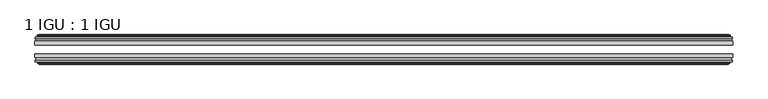
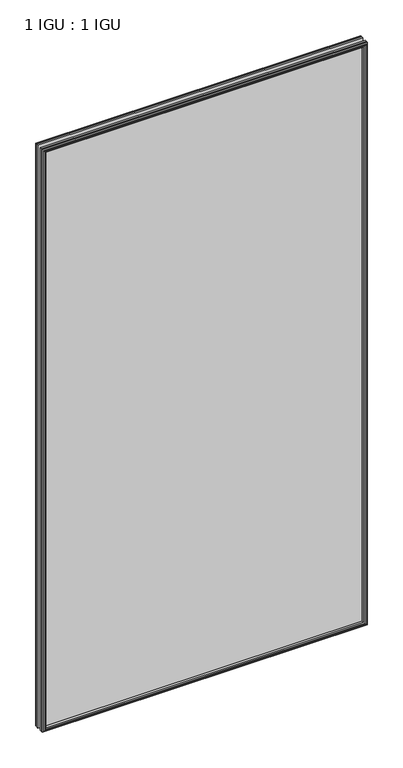
"""IFC4 building model written with IfcOpenShell, lengths in millimetres: plate geometry, 1 IGU : 1 IGU."""

from ifc_helpers import new_model, si_unit, frame, origin, place, context, project, spatial, polyline, outline, extrude, faceted_brep, source, transform, mapped, element, save


def plate_1_igu_1_igu_44d84630(model_context):
    return source(origin(), model_context, "Body", "SolidModel", [
        extrude(outline(polyline([(532.9369235, -25.8960937), (532.9369235, -32.2460938), (-532.9369235, -32.2460938), (-532.9369235, -25.8960937), (532.9369235, -25.8960937)])), frame((0.0, 0.0, -12.7), z_axis=(0.0, 0.0, 1.0), x_axis=(1.0, 0.0, 0.0)), (0.0, 0.0, 1.0), 2019.3),
        extrude(outline(polyline([(-532.9369235, -51.2960938), (-532.9369235, -45.2686737), (532.9369235, -45.2686737), (532.9369235, -51.2960938), (-532.9369235, -51.2960938)])), frame((0.0, 0.0, -12.7), z_axis=(0.0, 0.0, 1.0), x_axis=(1.0, 0.0, 0.0)), (0.0, 0.0, 1.0), 2019.3),
        faceted_brep([(-527.3489235, -60.0262907, 2001.012), (-527.7299235, -57.6460937, 2001.393), (-527.7299235, -57.6460937, -7.493), (-527.3489235, -60.0262907, -7.112), (-528.7644525, -59.5663575, 2002.4275291), (-528.7644525, -59.5663575, -8.5275291), (-528.7644525, -60.3675717, 2002.4275291), (-528.7644525, -60.3675717, -8.5275291), (-526.5869235, -61.0750937, 2000.25), (-526.5869235, -61.0750937, -6.35), (-524.4093944, -60.3675717, 1998.072471), (-524.4093944, -60.3675717, -4.1724709), (-524.4093944, -59.5663575, 1998.072471), (-524.4093944, -59.5663575, -4.1724709), (-525.8249235, -60.0262907, 1999.488), (-525.8249235, -60.0262907, -5.588), (-525.4439235, -57.6460937, 1999.107), (-525.4439235, -57.6460937, -5.207), (-518.5192054, -51.2960937, 1992.1822819), (-520.2369235, -57.6460937, 1993.9), (-520.2369235, -57.6460937, 0.0), (-518.5192054, -51.2960937, 1.7177181), (-532.1749235, -54.6996937, 2005.838), (-529.3405813, -51.2960937, 2003.0036578), (-529.3405813, -51.2960937, -9.1036578), (-532.1749235, -54.6996937, -11.938), (-532.1749235, -57.6460937, 2005.838), (-532.1749235, -57.6460937, -11.938), (527.7299235, -57.6460938, -7.493), (527.3489235, -60.0262907, -7.112), (528.7644525, -59.5663575, -8.5275291), (528.7644525, -60.3675717, -8.5275291), (526.5869235, -61.0750937, -6.35), (524.4093944, -60.3675717, -4.1724709), (524.4093944, -59.5663575, -4.1724709), (525.8249235, -60.0262907, -5.588), (525.4439235, -57.6460937, -5.207), (520.2369235, -57.6460937, 0.0), (518.5192054, -51.2960937, 1.7177181), (529.3405813, -51.2960937, -9.1036578), (532.1749235, -54.6996937, -11.938), (532.1749235, -57.6460938, -11.938), (527.7299235, -57.6460938, 2001.393), (527.3489235, -60.0262907, 2001.012), (528.7644525, -59.5663575, 2002.4275291), (528.7644525, -60.3675717, 2002.4275291), (526.5869235, -61.0750937, 2000.25), (524.4093944, -60.3675717, 1998.072471), (524.4093944, -59.5663575, 1998.072471), (525.8249235, -60.0262907, 1999.488), (525.4439235, -57.6460937, 1999.107), (520.2369235, -57.6460937, 1993.9), (518.5192054, -51.2960937, 1992.1822819), (529.3405813, -51.2960937, 2003.0036578), (532.1749235, -54.6996937, 2005.838), (532.1749235, -57.6460938, 2005.838)], [[[0, 1, 2, 3]], [[4, 0, 3, 5]], [[6, 4, 5, 7]], [[8, 6, 7, 9]], [[10, 8, 9, 11]], [[12, 10, 11, 13]], [[14, 12, 13, 15]], [[16, 14, 15, 17]], [[18, 19, 20, 21]], [[22, 23, 24, 25]], [[26, 22, 25, 27]], [[3, 2, 28, 29]], [[5, 3, 29, 30]], [[7, 5, 30, 31]], [[9, 7, 31, 32]], [[11, 9, 32, 33]], [[13, 11, 33, 34]], [[15, 13, 34, 35]], [[17, 15, 35, 36]], [[21, 20, 37, 38]], [[25, 24, 39, 40]], [[27, 25, 40, 41]], [[29, 28, 42, 43]], [[30, 29, 43, 44]], [[31, 30, 44, 45]], [[32, 31, 45, 46]], [[33, 32, 46, 47]], [[34, 33, 47, 48]], [[35, 34, 48, 49]], [[36, 35, 49, 50]], [[38, 37, 51, 52]], [[40, 39, 53, 54]], [[41, 40, 54, 55]], [[27, 41, 55, 26], [1, 42, 28, 2]], [[43, 42, 1, 0]], [[44, 43, 0, 4]], [[45, 44, 4, 6]], [[46, 45, 6, 8]], [[47, 46, 8, 10]], [[48, 47, 10, 12]], [[49, 48, 12, 14]], [[50, 49, 14, 16]], [[17, 36, 50, 16], [19, 51, 37, 20]], [[52, 51, 19, 18]], [[23, 53, 39, 24], [21, 38, 52, 18]], [[54, 53, 23, 22]], [[55, 54, 22, 26]]]),
        faceted_brep([(-529.8612813, -25.8960937, 2003.5243578), (-532.6956235, -22.4924937, 2006.3587), (-532.6956235, -22.4924937, -12.4587), (-529.8612813, -25.8960937, -9.6243578), (-520.7576235, -19.5460937, 1994.4207), (-519.0399054, -25.8960937, 1992.7029819), (-519.0399054, -25.8960937, 1.1970181), (-520.7576235, -19.5460937, -0.5207), (-526.3456235, -17.1658968, 2000.0087), (-525.9646235, -19.5460937, 1999.6277), (-525.9646235, -19.5460937, -5.7277), (-526.3456235, -17.1658968, -6.1087), (-524.9300944, -17.62583, 1998.593171), (-524.9300944, -17.62583, -4.6931709), (-524.9300944, -16.8246158, 1998.593171), (-524.9300944, -16.8246158, -4.6931709), (-527.1076235, -16.1170937, 2000.7707), (-527.1076235, -16.1170937, -6.8707), (-529.2851525, -16.8246158, 2002.9482291), (-529.2851525, -16.8246158, -9.0482291), (-529.2851525, -17.62583, 2002.9482291), (-529.2851525, -17.62583, -9.0482291), (-527.8696235, -17.1658968, 2001.5327), (-527.8696235, -17.1658968, -7.6327), (-528.2506235, -19.5460937, 2001.9137), (-528.2506235, -19.5460937, -8.0137), (-532.6956235, -19.5460937, 2006.3587), (-532.6956235, -19.5460937, -12.4587), (532.6956235, -22.4924937, -12.4587), (529.8612813, -25.8960937, -9.6243578), (519.0399054, -25.8960937, 1.1970181), (520.7576235, -19.5460937, -0.5207), (525.9646235, -19.5460937, -5.7277), (526.3456235, -17.1658968, -6.1087), (524.9300944, -17.62583, -4.6931709), (524.9300944, -16.8246158, -4.6931709), (527.1076235, -16.1170937, -6.8707), (529.2851525, -16.8246158, -9.0482291), (529.2851525, -17.62583, -9.0482291), (527.8696235, -17.1658968, -7.6327), (528.2506235, -19.5460937, -8.0137), (532.6956235, -19.5460937, -12.4587), (532.6956235, -22.4924937, 2006.3587), (529.8612813, -25.8960937, 2003.5243578), (519.0399054, -25.8960937, 1992.7029819), (520.7576235, -19.5460937, 1994.4207), (525.9646235, -19.5460937, 1999.6277), (526.3456235, -17.1658968, 2000.0087), (524.9300944, -17.62583, 1998.593171), (524.9300944, -16.8246158, 1998.593171), (527.1076235, -16.1170937, 2000.7707), (529.2851525, -16.8246158, 2002.9482291), (529.2851525, -17.62583, 2002.9482291), (527.8696235, -17.1658968, 2001.5327), (528.2506235, -19.5460937, 2001.9137), (532.6956235, -19.5460937, 2006.3587)], [[[0, 1, 2, 3]], [[4, 5, 6, 7]], [[8, 9, 10, 11]], [[12, 8, 11, 13]], [[14, 12, 13, 15]], [[16, 14, 15, 17]], [[18, 16, 17, 19]], [[20, 18, 19, 21]], [[22, 20, 21, 23]], [[24, 22, 23, 25]], [[1, 26, 27, 2]], [[3, 2, 28, 29]], [[7, 6, 30, 31]], [[11, 10, 32, 33]], [[13, 11, 33, 34]], [[15, 13, 34, 35]], [[17, 15, 35, 36]], [[19, 17, 36, 37]], [[21, 19, 37, 38]], [[23, 21, 38, 39]], [[25, 23, 39, 40]], [[2, 27, 41, 28]], [[29, 28, 42, 43]], [[31, 30, 44, 45]], [[33, 32, 46, 47]], [[34, 33, 47, 48]], [[35, 34, 48, 49]], [[36, 35, 49, 50]], [[37, 36, 50, 51]], [[38, 37, 51, 52]], [[39, 38, 52, 53]], [[40, 39, 53, 54]], [[28, 41, 55, 42]], [[43, 42, 1, 0]], [[3, 29, 43, 0], [5, 44, 30, 6]], [[45, 44, 5, 4]], [[9, 46, 32, 10], [7, 31, 45, 4]], [[47, 46, 9, 8]], [[48, 47, 8, 12]], [[49, 48, 12, 14]], [[50, 49, 14, 16]], [[51, 50, 16, 18]], [[52, 51, 18, 20]], [[53, 52, 20, 22]], [[54, 53, 22, 24]], [[26, 55, 41, 27], [25, 40, 54, 24]], [[42, 55, 26, 1]]]),
    ])


if __name__ == "__main__":
    model = new_model("IFC4")
    model_context = context("Model", 3, world=origin())
    ifc_project = project(units=[si_unit("LENGTHUNIT", "METRE", prefix="MILLI")], contexts=[model_context])
    site = spatial("IfcSite", under=ifc_project)
    building = spatial("IfcBuilding", under=site)
    placement = place(None, origin())
    plate_1_igu_1_igu_shape = plate_1_igu_1_igu_44d84630(model_context)
    element("IfcPlate", 1, ObjectType="1 IGU : 1 IGU", at=placement, inside=building, context=model_context, shape_type="MappedRepresentation", body=[
        mapped(plate_1_igu_1_igu_shape, transform((0.0, 0.0, 0.0), x_axis=(1.0, 0.0, 0.0), y_axis=(0.0, 1.0, 0.0), z_axis=(0.0, 0.0, 1.0))),
    ])
    save(model, "model.ifc")
